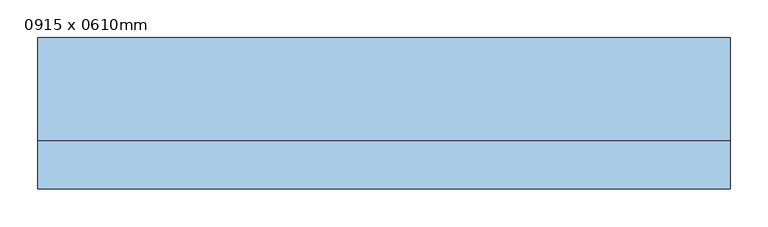
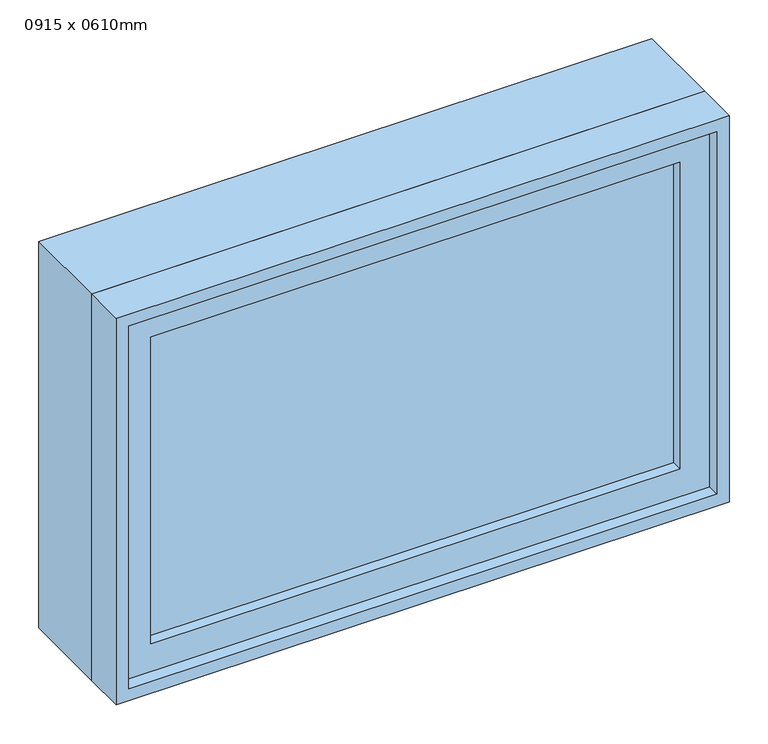
"""IFC4 building model written with IfcOpenShell, lengths in millimetres: window geometry, 0915 x 0610mm."""

from ifc_helpers import new_model, si_unit, frame, origin, place, context, project, spatial, polyline, outline, extrude, source, transform, mapped, element, save


def window_0915_x_0610mm_075037c7(model_context):
    return source(origin(), model_context, "Body", "SweptSolid", [
        extrude(outline(polyline([(-394.5, -78.0), (-394.5, -66.0), (394.5, -66.0), (394.5, -78.0), (-394.5, -78.0)])), frame((0.0, 0.0, 978.0), z_axis=(0.0, 0.0, 1.0), x_axis=(1.0, 0.0, 0.0)), (0.0, 0.0, 1.0), 484.0),
        extrude(outline(polyline([(1506.0, -438.5), (934.0, -438.5), (934.0, 438.5), (1506.0, 438.5), (1506.0, -438.5)]), holes=[polyline([(1462.0, -394.5), (1462.0, 394.5), (978.0, 394.5), (978.0, -394.5), (1462.0, -394.5)])]), frame((0.0, -94.0, 0.0), z_axis=(0.0, 1.0, 0.0), x_axis=(0.0, 0.0, 1.0)), (0.0, 0.0, 1.0), 44.0),
        extrude(outline(polyline([(1525.0, -457.5), (915.0, -457.5), (915.0, 457.5), (1525.0, 457.5), (1525.0, -457.5)]), holes=[polyline([(1506.0, -438.5), (1506.0, 438.5), (934.0, 438.5), (934.0, -438.5), (1506.0, -438.5)])]), frame((0.0, -113.0, 0.0), z_axis=(0.0, 1.0, 0.0), x_axis=(0.0, 0.0, 1.0)), (0.0, 0.0, 1.0), 63.0),
        extrude(outline(polyline([(1525.0, -457.5), (915.0, -457.5), (915.0, 457.5), (1525.0, 457.5), (1525.0, -457.5)]), holes=[polyline([(1493.0, -425.5), (1493.0, 425.5), (947.0, 425.5), (947.0, -425.5), (1493.0, -425.5)])]), frame((0.0, -50.0, 0.0), z_axis=(0.0, 1.0, 0.0), x_axis=(0.0, 0.0, 1.0)), (0.0, 0.0, 1.0), 137.0),
    ])


if __name__ == "__main__":
    model = new_model("IFC4")
    model_context = context("Model", 3, world=origin())
    ifc_project = project(units=[si_unit("LENGTHUNIT", "METRE", prefix="MILLI")], contexts=[model_context])
    site = spatial("IfcSite", under=ifc_project)
    building = spatial("IfcBuilding", under=site)
    placement = place(None, origin())
    window_0915_x_0610mm_shape = window_0915_x_0610mm_075037c7(model_context)
    element("IfcWindow", 1, ObjectType="0915 x 0610mm", at=placement, inside=building, context=model_context, shape_type="MappedRepresentation", body=[
        mapped(window_0915_x_0610mm_shape, transform((0.0, 0.0, 0.0), x_axis=(1.0, 0.0, 0.0), y_axis=(0.0, 1.0, 0.0), z_axis=(0.0, 0.0, 1.0))),
    ])
    save(model, "model.ifc")
